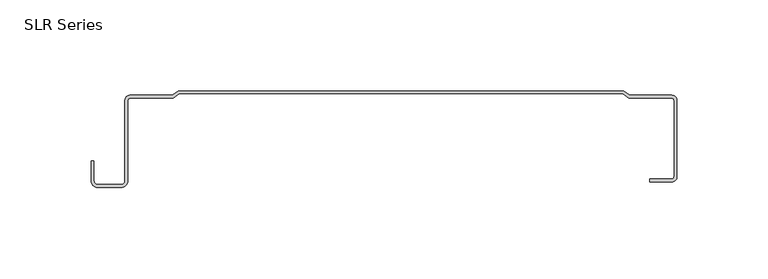
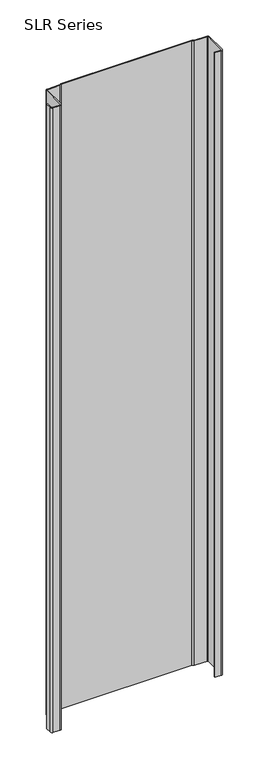
"""IFC4 building model written with IfcOpenShell, lengths in millimetres: plate geometry, SLR Series."""

from ifc_helpers import new_model, si_unit, point, frame_2d, origin, origin_with_axes, place, context, project, spatial, polyline, circle_curve, trimmed, segment, composite_curve, outline, extrude, source, transform, mapped, element, save


def slr_series_119067bd(model_context):
    return source(origin(), model_context, "Body", "SweptSolid", [
        extrude(outline(composite_curve([segment(polyline([(-165.6550683, -51.5384393), (-152.7704585, -51.5384393)]), True, "CONTINUOUS"), segment(trimmed(circle_curve(frame_2d((-152.7704585, -49.4804807)), 2.0579585), [point((-152.7704585, -51.5384393))], [point((-150.7125, -49.4804807))], True, "CARTESIAN"), True, "CONTINUOUS"), segment(polyline([(-150.7125, -49.4804807), (-150.7125, -5.1896345)]), True, "CONTINUOUS"), segment(trimmed(circle_curve(frame_2d((-147.9387298, -5.1896345)), 2.7737702), [point((-150.7125, -5.1896345))], [point((-147.9387298, -2.4158643))], False, "CARTESIAN"), True, "CONTINUOUS"), segment(polyline([(-147.9387298, -2.4158643), (-124.7046765, -2.4158643), (-121.483524, 0.0), (123.271024, 0.0), (126.4921765, -2.4158643), (149.7262298, -2.4158643)]), True, "CONTINUOUS"), segment(trimmed(circle_curve(frame_2d((149.7262298, -5.1896345)), 2.7737702), [point((149.7262298, -2.4158643))], [point((152.5, -5.1896345))], False, "CARTESIAN"), True, "CONTINUOUS"), segment(polyline([(152.5, -5.1896345), (152.5, -47.2670942)]), True, "CONTINUOUS"), segment(trimmed(circle_curve(frame_2d((149.7262298, -47.2670942)), 2.7737702), [point((152.5, -47.2670942))], [point((149.7262298, -50.0408643))], False, "CARTESIAN"), True, "CONTINUOUS"), segment(polyline([(149.7262298, -50.0408643), (137.6469081, -50.0408643), (137.6469081, -48.42313), (149.7262298, -48.42313)]), True, "CONTINUOUS"), segment(trimmed(circle_curve(frame_2d((149.7262298, -47.2670942)), 1.1560358), [point((149.7262298, -48.42313))], [point((150.8822657, -47.2670942))], True, "CARTESIAN"), True, "CONTINUOUS"), segment(polyline([(150.8822657, -47.2670942), (150.8822657, -5.1896345)]), True, "CONTINUOUS"), segment(trimmed(circle_curve(frame_2d((149.7262298, -5.1896345)), 1.1560358), [point((150.8822657, -5.1896345))], [point((149.7262298, -4.0335987))], True, "CARTESIAN"), True, "CONTINUOUS"), segment(polyline([(149.7262298, -4.0335987), (125.9529317, -4.0335987), (122.7317793, -1.6177343), (-120.9442793, -1.6177343), (-124.1654317, -4.0335987), (-147.9387298, -4.0335987)]), True, "CONTINUOUS"), segment(trimmed(circle_curve(frame_2d((-147.9387298, -5.1896345)), 1.1560358), [point((-147.9387298, -4.0335987))], [point((-149.0947657, -5.1896345))], True, "CARTESIAN"), True, "CONTINUOUS"), segment(polyline([(-149.0947657, -5.1896345), (-149.0947657, -49.4804807)]), True, "CONTINUOUS"), segment(trimmed(circle_curve(frame_2d((-152.7704585, -49.4804807)), 3.6756929), [point((-149.0947657, -49.4804807))], [point((-152.7704585, -53.1561736))], False, "CARTESIAN"), True, "CONTINUOUS"), segment(polyline([(-152.7704585, -53.1561736), (-165.6550683, -53.1561736)]), True, "CONTINUOUS"), segment(trimmed(circle_curve(frame_2d((-165.6550683, -49.4804807)), 3.6756929), [point((-165.6550683, -53.1561736))], [point((-169.3307612, -49.4804807))], False, "CARTESIAN"), True, "CONTINUOUS"), segment(polyline([(-169.3307612, -49.4804807), (-169.3307612, -38.6538294), (-167.7130268, -38.6538294), (-167.7130268, -49.4804807)]), True, "CONTINUOUS"), segment(trimmed(circle_curve(frame_2d((-165.6550683, -49.4804807)), 2.0579585), [point((-167.7130268, -49.4804807))], [point((-165.6550683, -51.5384393))], True, "CARTESIAN"), True, "CONTINUOUS")], self_intersect=False)), origin_with_axes(), (0.0, 0.0, 1.0), 1228.3559792),
    ])


if __name__ == "__main__":
    model = new_model("IFC4")
    model_context = context("Model", 3, world=origin())
    ifc_project = project(units=[si_unit("LENGTHUNIT", "METRE", prefix="MILLI")], contexts=[model_context])
    site = spatial("IfcSite", under=ifc_project)
    building = spatial("IfcBuilding", under=site)
    placement = place(None, origin())
    slr_series_shape = slr_series_119067bd(model_context)
    element("IfcPlate", 1, ObjectType="SLR Series", at=placement, inside=building, context=model_context, shape_type="MappedRepresentation", body=[
        mapped(slr_series_shape, transform((0.0, 0.0, 0.0), x_axis=(1.0, 0.0, 0.0), y_axis=(0.0, 1.0, 0.0), z_axis=(0.0, 0.0, 1.0))),
    ])
    save(model, "model.ifc")
